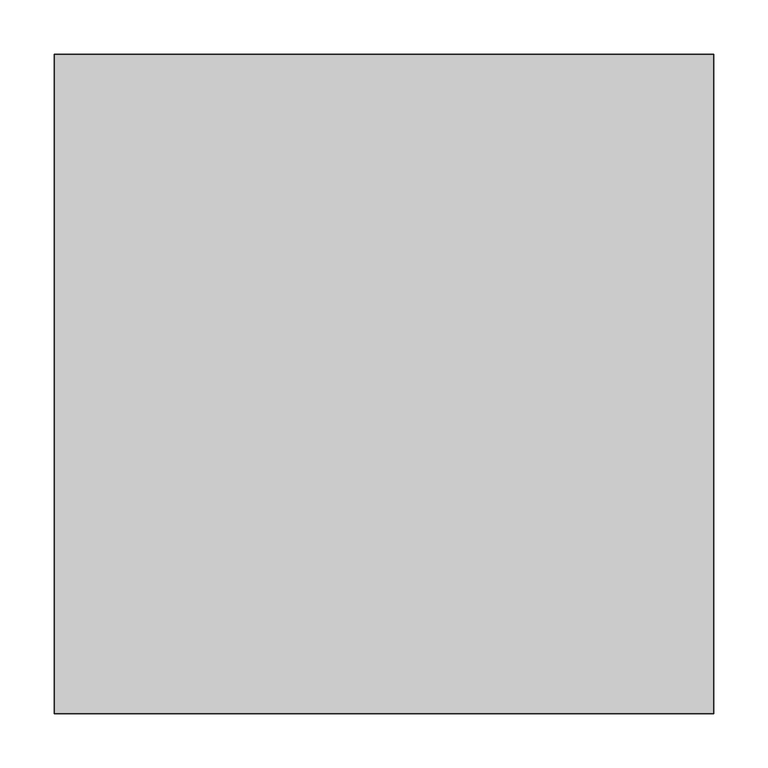
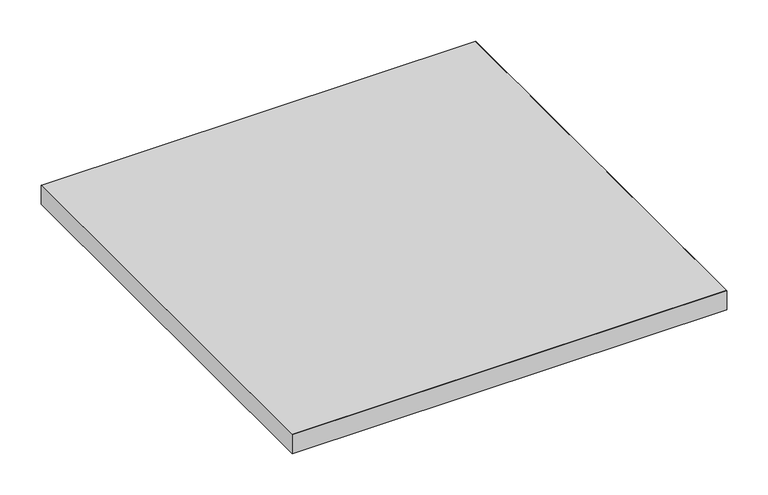
"""IFC4 building model written with IfcOpenShell, lengths in millimetres: proxy geometry."""

from ifc_helpers import new_model, si_unit, origin, place, context, project, spatial, faceted_brep, source, transform, mapped, element, save


def generic_models_69077dd2(model_context):
    return source(origin(), model_context, "Body", "Brep", [
        faceted_brep([(304.8, 304.8, -28.575), (304.8, -304.8, -28.575), (-304.8, -304.8, -28.575), (-304.8, 304.8, -28.575), (-304.8, 304.8, -0.4960938), (304.8, 304.8, -0.4960937), (-304.8, -304.8, -0.4960938), (304.8, -304.8, -0.4960938), (304.3039062, 304.3039062, 0.0), (-304.3039062, 304.3039062, 0.0), (-304.3039062, -304.3039063, 0.0), (304.3039062, -304.3039063, 0.0)], [[[0, 1, 2, 3]], [[0, 3, 4, 5]], [[3, 2, 6, 4]], [[2, 1, 7, 6]], [[1, 0, 5, 7]], [[8, 9, 10, 11]], [[9, 8, 5, 4]], [[10, 9, 4, 6]], [[11, 10, 6, 7]], [[8, 11, 7, 5]]]),
    ])


if __name__ == "__main__":
    model = new_model("IFC4")
    model_context = context("Model", 3, world=origin())
    ifc_project = project(units=[si_unit("LENGTHUNIT", "METRE", prefix="MILLI")], contexts=[model_context])
    site = spatial("IfcSite", under=ifc_project)
    building = spatial("IfcBuilding", under=site)
    placement = place(None, origin())
    generic_models_shape = generic_models_69077dd2(model_context)
    element("IfcBuildingElementProxy", 1, Name="Generic Models", at=placement, inside=building, context=model_context, shape_type="MappedRepresentation", body=[
        mapped(generic_models_shape, transform((0.0, 0.0, 0.0), x_axis=(1.0, 0.0, 0.0), y_axis=(0.0, 1.0, 0.0), z_axis=(0.0, 0.0, 1.0))),
    ])
    save(model, "model.ifc")
